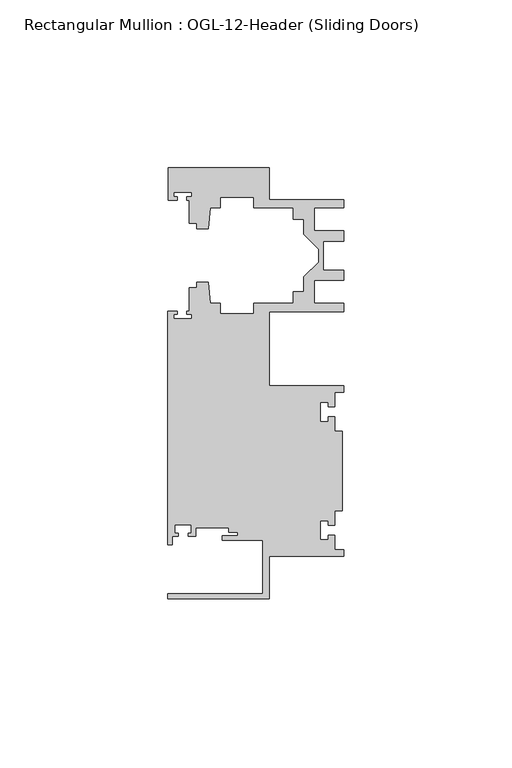
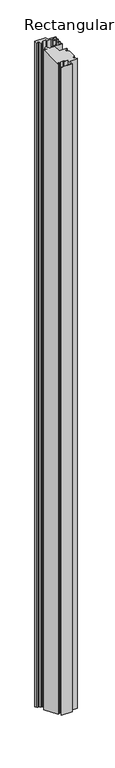
"""IFC4 building model written with IfcOpenShell, lengths in millimetres: member geometry, Rectangular Mullion : OGL-12-Header (Sliding Doors)."""

import ifcopenshell
import ifcopenshell.guid

model = None  # the IFC model being written
_history = None  # IfcOwnerHistory: only IFC2X3 demands one
_inside = {}  # id of a spatial element -> (the spatial element, [elements in it])
_under = {}  # id of a project, library or spatial element -> (it, [spatial elements below it])
_declared = {}  # id of a project -> (the project, [libraries it declares])
_typed = {}  # id of a type object -> (the type object, [elements of that type])
_made_of = {}  # id of a material, layer set ... -> (it, [elements and type objects made of it])


def new_model(schema):
    """Start an empty IFC model of exactly this schema.

    Asked for "IFC4X3", IfcOpenShell would pick the latest addendum, in which some entities
    have other attributes; the version numbers below select the first issue.
    IFC2X3 requires an IfcOwnerHistory on every rooted entity: one is made here for all.
    """
    global model, _history
    if schema == "IFC4X3":
        model = ifcopenshell.file(schema_version=(4, 3, 0, 0))
    else:
        model = ifcopenshell.file(schema=schema)
    _inside.clear()
    _under.clear()
    _declared.clear()
    _typed.clear()
    _made_of.clear()
    _history = None
    if model.schema == "IFC2X3":
        org = make("IfcOrganization", Name="unknown")
        user = make(
            "IfcPersonAndOrganization",
            ThePerson=make("IfcPerson", FamilyName="unknown"),
            TheOrganization=org,
        )
        app = make(
            "IfcApplication",
            ApplicationDeveloper=org,
            Version="unknown",
            ApplicationFullName="unknown",
            ApplicationIdentifier="unknown",
        )
        _history = make(
            "IfcOwnerHistory",
            OwningUser=user,
            OwningApplication=app,
            ChangeAction="ADDED",
            CreationDate=0,
        )
    return model


def make(cls, **values):
    """One entity of the class cls with the attributes given. An attribute that is None is left unset."""
    return model.create_entity(
        cls, **{name: value for name, value in values.items() if value is not None}
    )


def rooted(cls, **values):
    """An entity with a GlobalId (a new one), such as an element, a storey or a relation."""
    return make(cls, GlobalId=ifcopenshell.guid.new(), OwnerHistory=_history, **values)


def si_unit(unit_type, name, prefix=None):
    """IfcSIUnit, for example si_unit("LENGTHUNIT", "METRE", prefix="MILLI")."""
    return make("IfcSIUnit", UnitType=unit_type, Prefix=prefix, Name=name)


def assignment(units):
    """IfcUnitAssignment: the units of a project."""
    return None if units is None else make("IfcUnitAssignment", Units=units)


def point(xyz):
    """IfcCartesianPoint."""
    return None if xyz is None else make("IfcCartesianPoint", Coordinates=xyz)


def direction(xyz):
    """IfcDirection."""
    return None if xyz is None else make("IfcDirection", DirectionRatios=xyz)


def frame(location, z_axis=None, x_axis=None):
    """IfcAxis2Placement3D, a coordinate frame: its origin and axes. An axis left out is left unset."""
    return make(
        "IfcAxis2Placement3D",
        Location=point(location),
        Axis=direction(z_axis),
        RefDirection=direction(x_axis),
    )


def origin():
    """The frame at (0, 0, 0) with its axes left unset."""
    return frame((0.0, 0.0, 0.0))


def place(relative_to, where):
    """IfcLocalPlacement: puts the frame where relative to a parent placement (None: the world)."""
    return make(
        "IfcLocalPlacement", PlacementRelTo=relative_to, RelativePlacement=where
    )


def context(
    kind, dimensions, precision=None, world=None, true_north=None, identifier=None
):
    """IfcGeometricRepresentationContext, for example the 3D "Model" context."""
    return make(
        "IfcGeometricRepresentationContext",
        ContextIdentifier=identifier,
        ContextType=kind,
        CoordinateSpaceDimension=dimensions,
        Precision=precision,
        WorldCoordinateSystem=world,
        TrueNorth=true_north,
    )


def project(units=None, contexts=None):
    """IfcProject with its units and contexts."""
    return rooted(
        "IfcProject",
        Name="project",
        RepresentationContexts=contexts,
        UnitsInContext=assignment(units),
    )


def spatial(cls, under=None, at=None, **own):
    """A site, building, storey or space (cls), placed at a placement, below another one or the project."""
    s = rooted(cls, ObjectPlacement=at, **own)
    if under is not None:
        _under.setdefault(under.id(), (under, []))[1].append(s)
    return s


def faces_of(points, faces, orient=None, outer=None):
    """IfcFace entities. A face is a list of loops; a loop is a list of indices into points, from 0.

    orient and outer hold one flag for each loop. By default every Orientation is true, the
    first loop of a face is its IfcFaceOuterBound and the others are IfcFaceBound.
    """
    made = []
    for i, loops in enumerate(faces):
        bounds = []
        for j, loop in enumerate(loops):
            is_outer = j == 0 if outer is None else outer[i][j]
            bounds.append(
                make(
                    "IfcFaceOuterBound" if is_outer else "IfcFaceBound",
                    Bound=make("IfcPolyLoop", Polygon=[points[k] for k in loop]),
                    Orientation=True if orient is None else orient[i][j],
                )
            )
        made.append(make("IfcFace", Bounds=bounds))
    return made


def faceted_brep(points, faces, orient=None, outer=None, voids=None):
    """IfcFacetedBrep: a solid bounded by flat faces; with voids (closed shells), ...WithVoids."""
    shared = [point(p) for p in points]
    hull = make("IfcClosedShell", CfsFaces=faces_of(shared, faces, orient, outer))
    if voids is None:
        return make("IfcFacetedBrep", Outer=hull)
    return make(
        "IfcFacetedBrepWithVoids",
        Outer=hull,
        Voids=[
            make(cls, CfsFaces=faces_of(shared, fs, o, b)) for cls, fs, o, b in voids
        ],
    )


def shape(context_of_items, identifier, shape_type, items):
    """IfcShapeRepresentation: the items that make up one representation, for example the "Body"."""
    return make(
        "IfcShapeRepresentation",
        ContextOfItems=context_of_items,
        RepresentationIdentifier=identifier,
        RepresentationType=shape_type,
        Items=items,
    )


def source(mapping_origin, context_of_items, identifier, shape_type, items):
    """IfcRepresentationMap: a shape defined once, which mapped items show again and again."""
    return make(
        "IfcRepresentationMap",
        MappingOrigin=mapping_origin,
        MappedRepresentation=shape(context_of_items, identifier, shape_type, items),
    )


def transform(
    local_origin,
    x_axis=None,
    y_axis=None,
    z_axis=None,
    scale=None,
    scale2=None,
    scale3=None,
    uniform=True,
):
    """IfcCartesianTransformationOperator3D, or its non-uniform kind. x_axis, y_axis, z_axis: its Axis1, 2, 3."""
    if uniform:
        return make(
            "IfcCartesianTransformationOperator3D",
            Axis1=direction(x_axis),
            Axis2=direction(y_axis),
            LocalOrigin=point(local_origin),
            Scale=scale,
            Axis3=direction(z_axis),
        )
    return make(
        "IfcCartesianTransformationOperator3DnonUniform",
        Axis1=direction(x_axis),
        Axis2=direction(y_axis),
        LocalOrigin=point(local_origin),
        Scale=scale,
        Axis3=direction(z_axis),
        Scale2=scale2,
        Scale3=scale3,
    )


def mapped(mapping_source, mapping_target):
    """IfcMappedItem: shows the shape of a source again, moved by a transform."""
    return make(
        "IfcMappedItem", MappingSource=mapping_source, MappingTarget=mapping_target
    )


def made_of(thing, what):
    """Note that an element or type object is made of a material, layer set ...; save() writes the relation."""
    if what is not None:
        _made_of.setdefault(what.id(), (what, []))[1].append(thing)
    return thing


def element(
    cls,
    number,
    at=None,
    inside=None,
    cuts=None,
    type_object=None,
    material=None,
    context=None,
    identifier="Body",
    shape_type=None,
    held_by="IfcProductDefinitionShape",
    body=None,
    shapes=None,
    **own,
):
    """One element of the class cls, such as IfcWall. Its Tag is "e" and its number.

    at: its placement. inside: the storey or other place that contains it. cuts: it is an
    opening in that element (IfcRelVoidsElement). A single representation is given by context,
    identifier, shape_type and body (its items); several are given by shapes. held_by: the class
    of the entity that holds the representations. save() writes the other relations.
    """
    e = rooted(cls, Tag="e%d" % number, ObjectPlacement=at, **own)
    if body is not None:
        shapes = [shape(context, identifier, shape_type, body)]
    if shapes is not None:
        e.Representation = make(held_by, Representations=shapes)
    if inside is not None:
        _inside.setdefault(inside.id(), (inside, []))[1].append(e)
    if cuts is not None:
        rooted(
            "IfcRelVoidsElement", RelatingBuildingElement=cuts, RelatedOpeningElement=e
        )
    if type_object is not None:
        _typed.setdefault(type_object.id(), (type_object, []))[1].append(e)
    return made_of(e, material)


def aggregate(whole, parts):
    """IfcRelAggregates: a whole, such as a stair, and the parts it consists of."""
    return rooted("IfcRelAggregates", RelatingObject=whole, RelatedObjects=parts)


def save(model, path):
    """Write the relations noted so far, then the file.

    IfcRelAggregates (storeys below a building ...), IfcRelContainedInSpatialStructure (elements
    in a storey), IfcRelDefinesByType, IfcRelAssociatesMaterial and IfcRelDeclares: one each for
    every whole, place, type object, material and project.
    """
    for whole, parts in _under.values():
        aggregate(whole, parts)
    for where, things in _inside.values():
        rooted(
            "IfcRelContainedInSpatialStructure",
            RelatedElements=things,
            RelatingStructure=where,
        )
    for kind, things in _typed.values():
        rooted("IfcRelDefinesByType", RelatedObjects=things, RelatingType=kind)
    for what, things in _made_of.values():
        rooted("IfcRelAssociatesMaterial", RelatedObjects=things, RelatingMaterial=what)
    for by, libraries in _declared.values():
        rooted("IfcRelDeclares", RelatingContext=by, RelatedDefinitions=libraries)
    model.write(path)


def rectangular_mullion_ogl_12_header_sliding_doors_41b966a8(model_context):
    return source(origin(), model_context, "Body", "Brep", [
        faceted_brep([(0.0, -25.4, 0.0), (0.0, -23.488176, 0.0), (-2.740223, -23.488176, 0.0), (-2.740223, -19.1395859, 0.0), (-4.5407068, -19.1395859, 0.0), (-4.5407068, -20.5271706, 0.0), (-7.0406862, -20.5271706, 0.0), (-7.0406862, -14.7651725, 0.0), (-4.5407047, -14.7651725, 0.0), (-4.5407047, -16.1605952, 0.0), (-2.740223, -16.1605952, 0.0), (-2.740223, -11.8041704, 0.0), (-0.508, -11.8041704, 0.0), (-0.508, 11.8041704, 0.0), (-2.740223, 11.8041704, 0.0), (-2.740223, 16.1605952, 0.0), (-4.5407047, 16.1605952, 0.0), (-4.5407047, 14.7651725, 0.0), (-7.0406862, 14.7651725, 0.0), (-7.0406862, 20.5271706, 0.0), (-4.5407068, 20.5271706, 0.0), (-4.5407068, 19.1395859, 0.0), (-2.740223, 19.1395859, 0.0), (-2.740223, 23.488176, 0.0), (0.0, 23.488176, 0.0), (0.0, 25.4, 0.0), (-22.2332898, 25.4, 0.0), (-22.2332898, 47.513352, 0.0), (-0.0082575, 47.513352, 0.0), (-0.0082575, 50.013352, 0.0), (-8.8582575, 50.013352, 0.0), (-8.8582575, 56.8562795, 0.0), (-0.0082575, 56.8562795, 0.0), (-0.0082575, 59.8562795, 0.0), (-6.1582575, 59.8562795, 0.0), (-6.1582575, 68.5325565, 0.0), (-0.0082575, 68.5325565, 0.0), (-0.0082575, 71.5325565, 0.0), (-8.8582575, 71.5325565, 0.0), (-8.8582575, 78.375484, 0.0), (-0.0082575, 78.375484, 0.0), (-0.0082575, 80.875484, 0.0), (-22.2032575, 80.875484, 0.0), (-22.2032575, 90.3252352, 0.0), (-52.2095715, 90.3252352, 0.0), (-52.2095715, 80.7425364, 0.0), (-49.5692346, 80.7425364, 0.0), (-49.5692346, 81.7156466, 0.0), (-50.6220715, 81.7156466, 0.0), (-50.6220715, 83.0934363, 0.0), (-45.3220715, 83.0934363, 0.0), (-45.3220715, 81.7156466, 0.0), (-46.8181909, 81.7156466, 0.0), (-46.8181909, 80.7425364, 0.0), (-45.9710366, 80.7425364, 0.0), (-45.9710366, 73.7629518, 0.0), (-43.7582575, 73.7629518, 0.0), (-43.7582575, 72.175484, 0.0), (-40.3395523, 72.175484, 0.0), (-39.7961967, 78.3860669, 0.0), (-36.8419772, 78.3860669, 0.0), (-36.8419772, 81.550484, 0.0), (-26.7462575, 81.550484, 0.0), (-26.7462575, 78.375484, 0.0), (-15.0768765, 78.375484, 0.0), (-15.0768765, 74.975484, 0.0), (-11.8582575, 74.975484, 0.0), (-11.8582575, 70.4941892, 0.0), (-7.4980859, 66.1340176, 0.0), (-7.4980859, 62.2548184, 0.0), (-11.8582575, 57.8946468, 0.0), (-11.8582575, 53.413352, 0.0), (-15.0768765, 53.413352, 0.0), (-15.0768765, 50.013352, 0.0), (-26.7462575, 50.013352, 0.0), (-26.7462575, 46.838352, 0.0), (-36.8419772, 46.838352, 0.0), (-36.8419772, 50.0027691, 0.0), (-39.7961967, 50.0027691, 0.0), (-40.3395523, 56.213352, 0.0), (-43.7582575, 56.213352, 0.0), (-43.7582575, 54.6622994, 0.0), (-45.9710366, 54.6622994, 0.0), (-45.9710366, 47.583496, 0.0), (-46.769305, 47.583496, 0.0), (-46.769305, 46.7096046, 0.0), (-45.3220715, 46.7096046, 0.0), (-45.3220715, 45.3318149, 0.0), (-50.6220715, 45.3318149, 0.0), (-50.6220715, 46.7096046, 0.0), (-49.5910554, 46.7096046, 0.0), (-49.5910554, 47.583496, 0.0), (-52.3921824, 47.583496, 0.0), (-52.3921824, -21.9710976, 0.0), (-51.1362531, -21.9710976, 0.0), (-51.1362531, -19.4824275, 0.0), (-49.3568347, -19.4824275, 0.0), (-49.3568347, -18.4751625, 0.0), (-50.359397, -18.4751625, 0.0), (-50.359397, -15.9751675, 0.0), (-45.359407, -15.9751675, 0.0), (-45.359407, -18.4751625, 0.0), (-46.3304245, -18.4751625, 0.0), (-46.3304245, -19.4824275, 0.0), (-44.1094055, -19.4824275, 0.0), (-44.1094055, -16.8641675, 0.0), (-34.2833684, -16.8641675, 0.0), (-34.2833684, -18.1510261, 0.0), (-31.5444935, -18.1510261, 0.0), (-31.5444935, -19.3006707, 0.0), (-36.2104247, -19.3006707, 0.0), (-36.2104247, -20.5916734, 0.0), (-24.0747898, -20.5916734, 0.0), (-24.0747898, -36.512516, 0.0), (-52.3921824, -36.512516, 0.0), (-52.3921824, -38.0996792, 0.0), (-22.2332898, -38.0996792, 0.0), (-22.2332898, -25.4, 0.0), (0.0, -25.4, -1924.6450157), (0.0, -23.488176, -1925.4369191), (-2.740223, -23.488176, -1925.4369191), (-2.740223, -19.1395859, -1927.2381641), (-4.5407068, -19.1395859, -1927.2381641), (-4.5407068, -20.5271706, -1926.6634077), (-7.0406862, -20.5271706, -1926.6634077), (-7.0406862, -14.7651725, -1929.0501055), (-4.5407047, -14.7651725, -1929.0501055), (-4.5407047, -16.1605952, -1928.4721025), (-2.740223, -16.1605952, -1928.4721025), (-2.740223, -11.8041704, -1930.2765927), (-0.508, -11.8041704, -1930.2765927), (-0.508, 11.8041704, -1940.0554877), (-2.740223, 11.8041704, -1940.0554877), (-2.740223, 16.1605952, -1941.8599779), (-4.5407047, 16.1605952, -1941.8599779), (-4.5407047, 14.7651725, -1941.2819749), (-7.0406862, 14.7651725, -1941.2819749), (-7.0406862, 20.5271706, -1943.6686727), (-4.5407068, 20.5271706, -1943.6686727), (-4.5407068, 19.1395859, -1943.0939162), (-2.740223, 19.1395859, -1943.0939162), (-2.740223, 23.488176, -1944.8951612), (0.0, 23.488176, -1944.8951612), (0.0, 25.4, -1945.6870646), (-22.2332898, 25.4, -1945.6870646), (-22.2332898, 47.513352, -1954.846715), (-0.0082575, 47.513352, -1954.846715), (-0.0082575, 50.013352, -1955.8822489), (-8.8582575, 50.013352, -1955.8822489), (-8.8582575, 56.8562795, -1958.7166823), (-0.0082575, 56.8562795, -1958.7166823), (-0.0082575, 59.8562795, -1959.9593229), (-6.1582575, 59.8562795, -1959.9593229), (-6.1582575, 68.5325565, -1963.5531545), (-0.0082575, 68.5325565, -1963.5531545), (-0.0082575, 71.5325565, -1964.7957952), (-8.8582575, 71.5325565, -1964.7957952), (-8.8582575, 78.375484, -1967.6302286), (-0.0082575, 78.375484, -1967.6302286), (-0.0082575, 80.875484, -1968.6657625), (-22.2032575, 80.875484, -1968.6657625), (-22.2032575, 90.3252352, -1972.5799776), (-52.2095715, 90.3252352, -1972.5799776), (-52.2095715, 80.7425364, -1968.6106938), (-49.5692346, 80.7425364, -1968.6106938), (-49.5692346, 81.7156466, -1969.0137692), (-50.6220715, 81.7156466, -1969.0137692), (-50.6220715, 83.0934363, -1969.5844684), (-45.3220715, 83.0934363, -1969.5844684), (-45.3220715, 81.7156466, -1969.0137692), (-46.8181909, 81.7156466, -1969.0137692), (-46.8181909, 80.7425364, -1968.6106938), (-45.9710366, 80.7425364, -1968.6106938), (-45.9710366, 73.7629518, -1965.7196552), (-43.7582575, 73.7629518, -1965.7196552), (-43.7582575, 72.175484, -1965.0621045), (-40.3395523, 72.175484, -1965.0621045), (-39.7961967, 78.3860669, -1967.6346122), (-36.8419772, 78.3860669, -1967.6346122), (-36.8419772, 81.550484, -1968.9453567), (-26.7462575, 81.550484, -1968.9453567), (-26.7462575, 78.375484, -1967.6302286), (-15.0768765, 78.375484, -1967.6302286), (-15.0768765, 74.975484, -1966.2219025), (-11.8582575, 74.975484, -1966.2219025), (-11.8582575, 70.4941892, -1964.3656894), (-7.4980859, 66.1340176, -1962.5596472), (-7.4980859, 62.2548184, -1960.9528303), (-11.8582575, 57.8946468, -1959.1467881), (-11.8582575, 53.413352, -1957.290575), (-15.0768765, 53.413352, -1957.290575), (-15.0768765, 50.013352, -1955.8822489), (-26.7462575, 50.013352, -1955.8822489), (-26.7462575, 46.838352, -1954.5671208), (-36.8419772, 46.838352, -1954.5671208), (-36.8419772, 50.0027691, -1955.8778653), (-39.7961967, 50.0027691, -1955.8778653), (-40.3395523, 56.213352, -1958.450373), (-43.7582575, 56.213352, -1958.450373), (-43.7582575, 54.6622994, -1957.8079059), (-45.9710366, 54.6622994, -1957.8079059), (-45.9710366, 47.583496, -1954.8757696), (-46.769305, 47.583496, -1954.8757696), (-46.769305, 46.7096046, -1954.5137919), (-45.3220715, 46.7096046, -1954.5137919), (-45.3220715, 45.3318149, -1953.9430927), (-50.6220715, 45.3318149, -1953.9430927), (-50.6220715, 46.7096046, -1954.5137919), (-49.5910554, 46.7096046, -1954.5137919), (-49.5910554, 47.583496, -1954.8757696), (-52.3921824, 47.583496, -1954.8757696), (-52.3921824, -21.9710976, -1926.0653136), (-51.1362531, -21.9710976, -1926.0653136), (-51.1362531, -19.4824275, -1927.0961545), (-49.3568347, -19.4824275, -1927.0961545), (-49.3568347, -18.4751625, -1927.5133773), (-50.359397, -18.4751625, -1927.5133773), (-50.359397, -15.9751675, -1928.5489091), (-45.359407, -15.9751675, -1928.5489091), (-45.359407, -18.4751625, -1927.5133773), (-46.3304245, -18.4751625, -1927.5133773), (-46.3304245, -19.4824275, -1927.0961545), (-44.1094055, -19.4824275, -1927.0961545), (-44.1094055, -16.8641675, -1928.1806733), (-34.2833684, -16.8641675, -1928.1806733), (-34.2833684, -18.1510261, -1927.647639), (-31.5444935, -18.1510261, -1927.647639), (-31.5444935, -19.3006707, -1927.1714406), (-36.2104247, -19.3006707, -1927.1714406), (-36.2104247, -20.5916734, -1926.6366898), (-24.0747898, -20.5916734, -1926.6366898), (-24.0747898, -36.512516, -1920.0420609), (-52.3921824, -36.512516, -1920.0420609), (-52.3921824, -38.0996792, -1919.3846363), (-22.2332898, -38.0996792, -1919.3846363), (-22.2332898, -25.4, -1924.6450157)], [[[0, 1, 2, 3, 4, 5, 6, 7, 8, 9, 10, 11, 12, 13, 14, 15, 16, 17, 18, 19, 20, 21, 22, 23, 24, 25, 26, 27, 28, 29, 30, 31, 32, 33, 34, 35, 36, 37, 38, 39, 40, 41, 42, 43, 44, 45, 46, 47, 48, 49, 50, 51, 52, 53, 54, 55, 56, 57, 58, 59, 60, 61, 62, 63, 64, 65, 66, 67, 68, 69, 70, 71, 72, 73, 74, 75, 76, 77, 78, 79, 80, 81, 82, 83, 84, 85, 86, 87, 88, 89, 90, 91, 92, 93, 94, 95, 96, 97, 98, 99, 100, 101, 102, 103, 104, 105, 106, 107, 108, 109, 110, 111, 112, 113, 114, 115, 116, 117]], [[1, 0, 118, 119]], [[2, 1, 119, 120]], [[3, 2, 120, 121]], [[4, 3, 121, 122]], [[5, 4, 122, 123]], [[6, 5, 123, 124]], [[7, 6, 124, 125]], [[8, 7, 125, 126]], [[9, 8, 126, 127]], [[10, 9, 127, 128]], [[11, 10, 128, 129]], [[12, 11, 129, 130]], [[13, 12, 130, 131]], [[14, 13, 131, 132]], [[15, 14, 132, 133]], [[16, 15, 133, 134]], [[17, 16, 134, 135]], [[18, 17, 135, 136]], [[19, 18, 136, 137]], [[20, 19, 137, 138]], [[21, 20, 138, 139]], [[22, 21, 139, 140]], [[23, 22, 140, 141]], [[24, 23, 141, 142]], [[25, 24, 142, 143]], [[26, 25, 143, 144]], [[27, 26, 144, 145]], [[28, 27, 145, 146]], [[29, 28, 146, 147]], [[30, 29, 147, 148]], [[31, 30, 148, 149]], [[32, 31, 149, 150]], [[33, 32, 150, 151]], [[34, 33, 151, 152]], [[35, 34, 152, 153]], [[36, 35, 153, 154]], [[37, 36, 154, 155]], [[38, 37, 155, 156]], [[39, 38, 156, 157]], [[40, 39, 157, 158]], [[41, 40, 158, 159]], [[42, 41, 159, 160]], [[43, 42, 160, 161]], [[44, 43, 161, 162]], [[45, 44, 162, 163]], [[46, 45, 163, 164]], [[47, 46, 164, 165]], [[48, 47, 165, 166]], [[49, 48, 166, 167]], [[50, 49, 167, 168]], [[51, 50, 168, 169]], [[52, 51, 169, 170]], [[53, 52, 170, 171]], [[54, 53, 171, 172]], [[55, 54, 172, 173]], [[56, 55, 173, 174]], [[57, 56, 174, 175]], [[58, 57, 175, 176]], [[59, 58, 176, 177]], [[60, 59, 177, 178]], [[61, 60, 178, 179]], [[62, 61, 179, 180]], [[63, 62, 180, 181]], [[64, 63, 181, 182]], [[65, 64, 182, 183]], [[66, 65, 183, 184]], [[67, 66, 184, 185]], [[68, 67, 185, 186]], [[69, 68, 186, 187]], [[70, 69, 187, 188]], [[71, 70, 188, 189]], [[72, 71, 189, 190]], [[73, 72, 190, 191]], [[74, 73, 191, 192]], [[75, 74, 192, 193]], [[76, 75, 193, 194]], [[77, 76, 194, 195]], [[78, 77, 195, 196]], [[79, 78, 196, 197]], [[80, 79, 197, 198]], [[81, 80, 198, 199]], [[82, 81, 199, 200]], [[83, 82, 200, 201]], [[84, 83, 201, 202]], [[85, 84, 202, 203]], [[86, 85, 203, 204]], [[87, 86, 204, 205]], [[88, 87, 205, 206]], [[89, 88, 206, 207]], [[90, 89, 207, 208]], [[91, 90, 208, 209]], [[92, 91, 209, 210]], [[93, 92, 210, 211]], [[94, 93, 211, 212]], [[95, 94, 212, 213]], [[96, 95, 213, 214]], [[97, 96, 214, 215]], [[98, 97, 215, 216]], [[99, 98, 216, 217]], [[100, 99, 217, 218]], [[101, 100, 218, 219]], [[102, 101, 219, 220]], [[103, 102, 220, 221]], [[104, 103, 221, 222]], [[105, 104, 222, 223]], [[106, 105, 223, 224]], [[107, 106, 224, 225]], [[108, 107, 225, 226]], [[109, 108, 226, 227]], [[110, 109, 227, 228]], [[111, 110, 228, 229]], [[112, 111, 229, 230]], [[113, 112, 230, 231]], [[114, 113, 231, 232]], [[115, 114, 232, 233]], [[116, 115, 233, 234]], [[117, 116, 234, 235]], [[0, 117, 235, 118]], [[118, 235, 234, 233, 232, 231, 230, 229, 228, 227, 226, 225, 224, 223, 222, 221, 220, 219, 218, 217, 216, 215, 214, 213, 212, 211, 210, 209, 208, 207, 206, 205, 204, 203, 202, 201, 200, 199, 198, 197, 196, 195, 194, 193, 192, 191, 190, 189, 188, 187, 186, 185, 184, 183, 182, 181, 180, 179, 178, 177, 176, 175, 174, 173, 172, 171, 170, 169, 168, 167, 166, 165, 164, 163, 162, 161, 160, 159, 158, 157, 156, 155, 154, 153, 152, 151, 150, 149, 148, 147, 146, 145, 144, 143, 142, 141, 140, 139, 138, 137, 136, 135, 134, 133, 132, 131, 130, 129, 128, 127, 126, 125, 124, 123, 122, 121, 120, 119]]]),
    ])


if __name__ == "__main__":
    model = new_model("IFC4")
    model_context = context("Model", 3, world=origin())
    ifc_project = project(units=[si_unit("LENGTHUNIT", "METRE", prefix="MILLI")], contexts=[model_context])
    site = spatial("IfcSite", under=ifc_project)
    building = spatial("IfcBuilding", under=site)
    placement = place(None, origin())
    rectangular_mullion_ogl_12_header_sliding_doors_shape = rectangular_mullion_ogl_12_header_sliding_doors_41b966a8(model_context)
    element("IfcMember", 1, ObjectType="Rectangular Mullion : OGL-12-Header (Sliding Doors)", at=placement, inside=building, context=model_context, shape_type="MappedRepresentation", body=[
        mapped(rectangular_mullion_ogl_12_header_sliding_doors_shape, transform((0.0, 0.0, 0.0), x_axis=(1.0, 0.0, 0.0), y_axis=(0.0, 1.0, 0.0), z_axis=(0.0, 0.0, 1.0))),
    ])
    save(model, "model.ifc")
